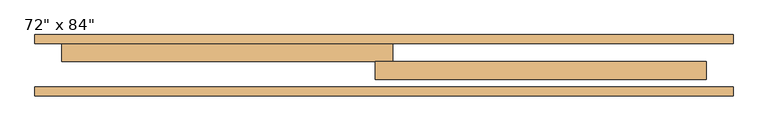
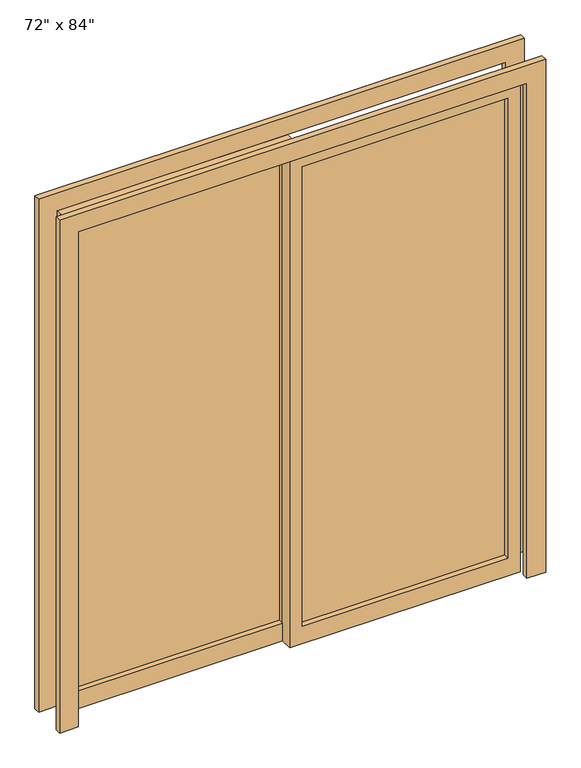
"""IFC4 building model written with IfcOpenShell, lengths in millimetres: door geometry."""

from ifc_helpers import new_model, si_unit, frame, origin, place, context, project, spatial, polyline, outline, extrude, source, transform, mapped, element, save


def door_04b8edb1(model_context):
    return source(origin(), model_context, "Body", "SweptSolid", [
        extrude(outline(polyline([(25.4, 115.8875), (863.6, 115.8875), (863.6, 109.5375), (25.4, 109.5375), (25.4, 115.8875)])), frame((0.0, 0.0, 76.2), z_axis=(0.0, 0.0, 1.0), x_axis=(1.0, 0.0, 0.0)), (0.0, 0.0, 1.0), 1981.2),
        extrude(outline(polyline([(2133.6, -25.4), (0.0, -25.4), (0.0, 914.4), (2133.6, 914.4), (2133.6, -25.4)]), holes=[polyline([(2057.4, 25.4), (2057.4, 863.6), (76.2, 863.6), (76.2, 25.4), (2057.4, 25.4)])]), frame((0.0, 87.3125, 0.0), z_axis=(0.0, 1.0, 0.0), x_axis=(0.0, 0.0, 1.0)), (0.0, 0.0, 1.0), 50.8),
        extrude(outline(polyline([(-863.6, 166.6875), (-25.4, 166.6875), (-25.4, 160.3375), (-863.6, 160.3375), (-863.6, 166.6875)])), frame((0.0, 0.0, 76.2), z_axis=(0.0, 0.0, 1.0), x_axis=(1.0, 0.0, 0.0)), (0.0, 0.0, 1.0), 1981.2),
        extrude(outline(polyline([(2133.6, 25.4), (2133.6, -914.4), (0.0, -914.4), (0.0, 25.4), (2133.6, 25.4)]), holes=[polyline([(2057.4, -25.4), (76.2, -25.4), (76.2, -863.6), (2057.4, -863.6), (2057.4, -25.4)])]), frame((0.0, 138.1125, 0.0), z_axis=(0.0, 1.0, 0.0), x_axis=(0.0, 0.0, 1.0)), (0.0, 0.0, 1.0), 50.8),
        extrude(outline(polyline([(0.0, -990.6), (0.0, -914.4), (2133.6, -914.4), (2133.6, 914.4), (0.0, 914.4), (0.0, 990.6), (2209.8, 990.6), (2209.8, -990.6), (0.0, -990.6)])), frame((0.0, 39.6875, 0.0), z_axis=(0.0, 1.0, 0.0), x_axis=(0.0, 0.0, 1.0)), (0.0, 0.0, 1.0), 25.4),
        extrude(outline(polyline([(0.0, 990.6), (2209.8, 990.6), (2209.8, -990.6), (0.0, -990.6), (0.0, -914.4), (2133.6, -914.4), (2133.6, 914.4), (0.0, 914.4), (0.0, 990.6)])), frame((0.0, 188.9125, 0.0), z_axis=(0.0, 1.0, 0.0), x_axis=(0.0, 0.0, 1.0)), (0.0, 0.0, 1.0), 25.4),
    ])


if __name__ == "__main__":
    model = new_model("IFC4")
    model_context = context("Model", 3, world=origin())
    ifc_project = project(units=[si_unit("LENGTHUNIT", "METRE", prefix="MILLI")], contexts=[model_context])
    site = spatial("IfcSite", under=ifc_project)
    building = spatial("IfcBuilding", under=site)
    placement = place(None, origin())
    door_shape = door_04b8edb1(model_context)
    element("IfcDoor", 1, ObjectType="72\" x 84\"", at=placement, inside=building, context=model_context, shape_type="MappedRepresentation", body=[
        mapped(door_shape, transform((0.0, 0.0, 0.0), x_axis=(1.0, 0.0, 0.0), y_axis=(0.0, 1.0, 0.0), z_axis=(0.0, 0.0, 1.0))),
    ])
    save(model, "model.ifc")
